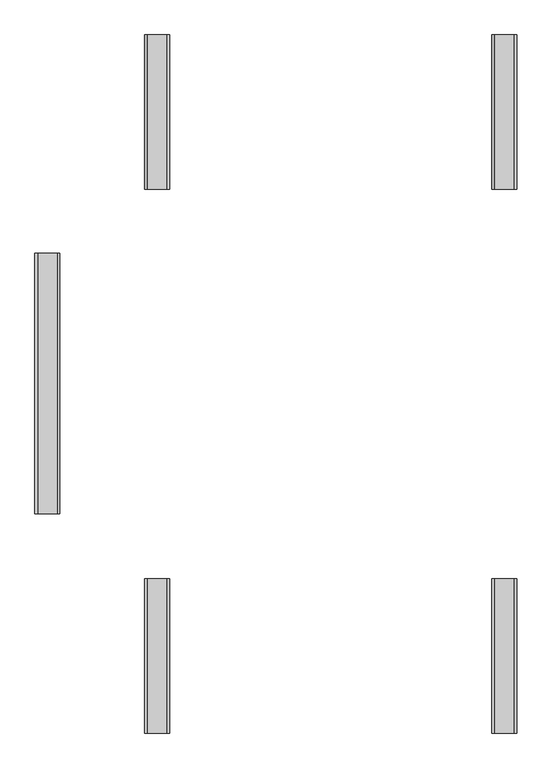
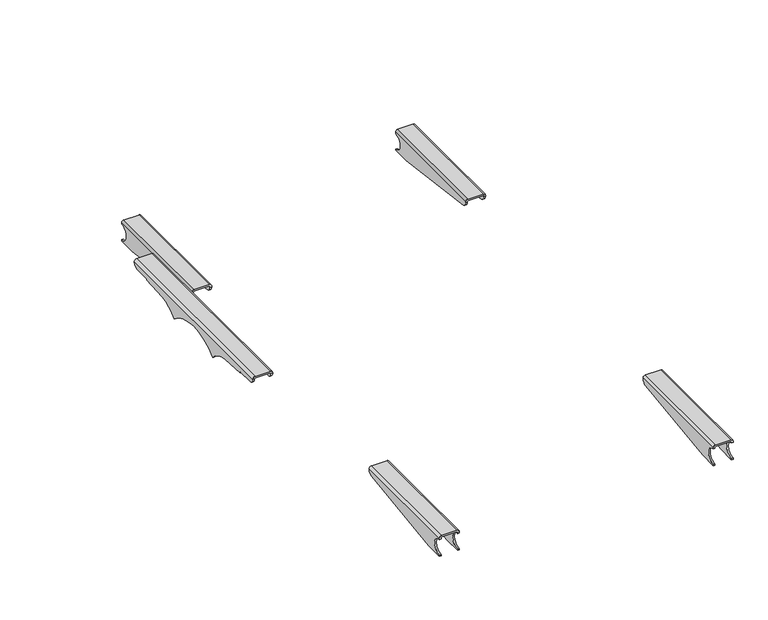
"""IFC4 building model written with IfcOpenShell, lengths in millimetres: furniture geometry."""

from ifc_helpers import new_model, si_unit, frame, origin, place, context, project, spatial, polyline, circle_curve, source, transform, mapped, element, save
from ifc_brep_helpers import plane_surface, cylinder_surface, revolved_surface, advanced_brep


def furniture_b8afb969(model_context):
    return source(origin(), model_context, "Body", "AdvancedBrep", [
        advanced_brep(
        [(-648.4999187, -295.237302, 664.949744), (-648.4999187, -245.237302, 664.949744), (-648.4999187, -245.237302, 661.949744), (-648.4999187, 247.2373961, 661.949744), (-648.4999187, 247.2373961, 664.949744), (-648.4999187, 297.2373961, 664.949744), (-648.4999187, 312.2373961, 679.949744), (-648.4999187, 312.2373961, 680.949744), (-648.4999187, -310.237302, 680.949744), (-648.4999187, -310.237302, 679.949744), (-653.4999187, -295.237302, 664.949744), (-653.4999187, -310.237302, 679.949744), (-653.4999187, -310.237302, 680.949744), (-653.4999187, 312.2373961, 680.949744), (-653.4999187, 312.2373961, 679.949744), (-653.4999187, 297.2373961, 664.949744), (-653.4999187, 247.2373961, 664.949744), (-653.4999187, 247.2373961, 661.949744), (-653.4999187, -245.237302, 661.949744), (-653.4999187, -245.237302, 664.949744), (-655.4999187, 312.2373961, 682.949744), (-701.4901236, 312.2373961, 682.949744), (-703.4998948, 312.2373961, 680.949744), (-703.4999187, 312.2373961, 679.949744), (-708.4999187, 312.2373961, 679.949744), (-708.4999187, 312.2373961, 680.949744), (-701.4999187, 312.2373961, 687.949744), (-655.4999187, 312.2373961, 687.949744), (-655.4999187, -310.237302, 687.949744), (-701.4999187, -310.237302, 687.949744), (-708.4999187, -310.237302, 680.949744), (-708.4999187, -310.237302, 679.949744), (-703.4999187, -310.237302, 679.949744), (-703.4999187, -310.237302, 680.949744), (-701.4901236, -310.237302, 682.949744), (-655.4999187, -310.237302, 682.949744), (-703.4999187, 247.2373961, 664.949744), (-703.4999187, 297.2373961, 664.949744), (-703.4999187, -295.237302, 664.949744), (-703.4999187, -245.237302, 664.949744), (-703.4999187, -245.237302, 661.949744), (-703.4999187, -164.5593779, 655.917012), (-703.4999187, -99.8876346, 623.7288063), (-703.4999187, 101.8877287, 623.7288063), (-703.4999187, 166.5594719, 655.917012), (-703.4999187, 247.2373961, 661.949744), (-708.4999187, 247.2373961, 664.949744), (-708.4999187, 247.2373961, 661.949744), (-708.4999187, 166.5594719, 655.917012), (-708.4999187, 101.8877287, 623.7288063), (-708.4999187, -99.8876346, 623.7288063), (-708.4999187, -164.5593779, 655.917012), (-708.4999187, -245.237302, 661.949744), (-708.4999187, -245.237302, 664.949744), (-708.4999187, -295.237302, 664.949744), (-708.4999187, 297.2373961, 664.949744)],
        [
            (0, 1),
            (1, 2),
            (2, 3, circle_curve(frame((-648.4999187, 1.000047, 3412.4875654), z_axis=(1.0, 0.0, 0.0), x_axis=(0.0, -0.08916674873975165, -0.9960167121686172)), 2761.5378214)),
            (3, 4),
            (4, 5),
            (5, 6, circle_curve(frame((-648.4999187, 297.2373961, 679.949744), z_axis=(1.0, 2.7577016226140998e-11, -2.7071678232499654e-11), x_axis=(-2.7071678232474768e-11, 0.0, -1.0)), 15.0)),
            (6, 7),
            (7, 8),
            (8, 9),
            (9, 0, circle_curve(frame((-648.4999187, -295.237302, 679.949744), z_axis=(1.0, 1.4582610674570805e-11, 1.2561258699867995e-11), x_axis=(1.4582610674561056e-11, -1.0, 0.0)), 15.0)),
            (10, 11, circle_curve(frame((-653.4999187, -295.237302, 679.949744), z_axis=(-1.0, -1.4582610674570805e-11, -1.2561258699867995e-11), x_axis=(1.4582610674561056e-11, -1.0, 0.0)), 15.0)),
            (11, 12),
            (12, 13),
            (13, 14),
            (14, 15, circle_curve(frame((-653.4999187, 297.2373961, 679.949744), z_axis=(-1.0, -2.7577016226140998e-11, 2.7071678232499654e-11), x_axis=(-2.7071678232474768e-11, 0.0, -1.0)), 15.0)),
            (15, 16),
            (16, 17),
            (17, 18, circle_curve(frame((-653.4999187, 1.000047, 3412.4875654), z_axis=(-1.0, 0.0, 0.0), x_axis=(0.0, -0.08916674873975165, -0.9960167121686172)), 2761.5378214)),
            (18, 19),
            (19, 10),
            (0, 10),
            (19, 1),
            (18, 2),
            (17, 3),
            (16, 4),
            (15, 5),
            (14, 6),
            (13, 20, circle_curve(frame((-655.4999187, 312.2373961, 680.949744), z_axis=(0.0, -1.0, 0.0), x_axis=(1.0, 0.0, 0.0)), 2.0)),
            (20, 21),
            (21, 22, circle_curve(frame((-701.4901236, 312.2373961, 680.9399489), z_axis=(0.0, -1.0, 0.0), x_axis=(1.0, 0.0, 0.0)), 2.0097951)),
            (22, 23),
            (23, 24),
            (24, 25),
            (25, 26, circle_curve(frame((-701.4999187, 312.2373961, 680.949744), z_axis=(0.0, 1.0, 0.0), x_axis=(1.0, 0.0, 0.0)), 7.0)),
            (26, 27),
            (27, 7, circle_curve(frame((-655.4999187, 312.2373961, 680.949744), z_axis=(0.0, 1.0, 0.0), x_axis=(1.0, 0.0, 0.0)), 7.0)),
            (8, 28, circle_curve(frame((-655.4999187, -310.237302, 680.949744), z_axis=(0.0, -1.0, 0.0), x_axis=(1.0, 0.0, 0.0)), 7.0)),
            (28, 29),
            (29, 30, circle_curve(frame((-701.4999187, -310.237302, 680.949744), z_axis=(0.0, -1.0, 0.0), x_axis=(1.0, 0.0, 0.0)), 7.0)),
            (30, 31),
            (31, 32),
            (32, 33),
            (33, 34, circle_curve(frame((-701.4901236, -310.237302, 680.9399489), z_axis=(0.0, 1.0, 0.0), x_axis=(1.0, 0.0, 0.0)), 2.0097951)),
            (34, 35),
            (35, 12, circle_curve(frame((-655.4999187, -310.237302, 680.949744), z_axis=(0.0, 1.0, 0.0), x_axis=(1.0, 0.0, 0.0)), 2.0)),
            (11, 9),
            (29, 26),
            (25, 30),
            (33, 22),
            (21, 34),
            (20, 35),
            (28, 27),
            (36, 37),
            (37, 23, circle_curve(frame((-703.4999187, 297.2373961, 679.949744), z_axis=(1.0, 2.6602435809749255e-11, -2.6674626951697388e-11), x_axis=(-2.660243580974781e-11, 1.0, 0.0)), 15.0)),
            (32, 38, circle_curve(frame((-703.4999187, -295.237302, 679.949744), z_axis=(1.0, 8.013216756805516e-12, 8.013216756811447e-12), x_axis=(8.013216756807542e-12, 0.0, -1.0)), 15.0)),
            (38, 39),
            (39, 40),
            (40, 41, circle_curve(frame((-703.4999187, 1.000047, 3412.4875654), z_axis=(1.0, 0.0, 0.0), x_axis=(0.0, -0.059951894780886486, -0.9982012674366737)), 2761.5378214)),
            (41, 42, circle_curve(frame((-703.4999187, -173.4226292, 557.0466548), z_axis=(-1.0, 0.0, 0.0), x_axis=(0.0, 0.740781085054844, 0.6717465176872657)), 99.2668362)),
            (42, 43, circle_curve(frame((-703.4999187, 1.000047, 512.7257627), z_axis=(-1.0, 0.0, 0.0), x_axis=(0.0, 0.6725845443382459, 0.740020290747027)), 150.0)),
            (43, 44, circle_curve(frame((-703.4999187, 175.4227233, 557.0466548), z_axis=(-1.0, 0.0, 0.0), x_axis=(0.0, -0.08928713471241707, 0.996005927479775)), 99.2668362)),
            (44, 45, circle_curve(frame((-703.4999187, 1.000047, 3412.4875657), z_axis=(1.0, 0.0, 0.0), x_axis=(0.0, 0.08916674874136395, -0.9960167121684729)), 2761.5378217)),
            (45, 36),
            (46, 47),
            (47, 48, circle_curve(frame((-708.4999187, 1.000047, 3412.4875657), z_axis=(-1.0, 0.0, 0.0), x_axis=(0.0, 0.08916674874136395, -0.9960167121684729)), 2761.5378217)),
            (48, 49, circle_curve(frame((-708.4999187, 175.4227233, 557.0466548), z_axis=(1.0, 0.0, 0.0), x_axis=(0.0, -0.08928713471241707, 0.996005927479775)), 99.2668362)),
            (49, 50, circle_curve(frame((-708.4999187, 1.000047, 512.7257627), z_axis=(1.0, 0.0, 0.0), x_axis=(0.0, 0.6725845443382459, 0.740020290747027)), 150.0)),
            (50, 51, circle_curve(frame((-708.4999187, -173.4226292, 557.0466548), z_axis=(1.0, 0.0, 0.0), x_axis=(0.0, 0.740781085054844, 0.6717465176872657)), 99.2668362)),
            (51, 52, circle_curve(frame((-708.4999187, 1.000047, 3412.4875654), z_axis=(-1.0, 0.0, 0.0), x_axis=(0.0, -0.059951894780886486, -0.9982012674366737)), 2761.5378214)),
            (52, 53),
            (53, 54),
            (54, 31, circle_curve(frame((-708.4999187, -295.237302, 679.949744), z_axis=(-1.0, -8.013216756805516e-12, -8.013216756811447e-12), x_axis=(8.013216756807542e-12, 0.0, -1.0)), 15.0)),
            (24, 55, circle_curve(frame((-708.4999187, 297.2373961, 679.949744), z_axis=(-1.0, -2.6602435809749255e-11, 2.6674626951697388e-11), x_axis=(-2.660243580974781e-11, 1.0, 0.0)), 15.0)),
            (55, 46),
            (36, 46),
            (55, 37),
            (54, 38),
            (53, 39),
            (52, 40),
            (51, 41),
            (50, 42),
            (49, 43),
            (48, 44),
            (47, 45),
        ],
        [
            plane_surface(frame((-648.4999187, -295.237302, 664.949744), z_axis=(1.0, 0.0, 0.0), x_axis=(0.0, 1.0, 0.0))),
            plane_surface(frame((-653.4999187, -295.237302, 664.949744), z_axis=(-1.0, 0.0, 0.0), x_axis=(0.0, -1.0, 0.0))),
            plane_surface(frame((-648.4999187, -295.237302, 664.949744), z_axis=(0.0, 0.0, -1.0), x_axis=(-1.0, 0.0, 0.0))),
            plane_surface(frame((-648.4999187, -245.237302, 664.949744), z_axis=(0.0, -1.0, -5.910649747416404e-12), x_axis=(-1.0, 0.0, 0.0))),
            cylinder_surface(frame((-653.4999187, 1.000047, 3412.4875654), z_axis=(1.0, 0.0, 0.0), x_axis=(0.0, -0.08916674873975165, -0.9960167121686172)), 2761.5378214),
            plane_surface(frame((-648.4999187, 247.2373961, 661.949744), z_axis=(0.0, 1.0, 0.0), x_axis=(-1.0, 0.0, 0.0))),
            plane_surface(frame((-648.4999187, 247.2373961, 664.949744), z_axis=(0.0, 0.0, -1.0), x_axis=(-1.0, 0.0, 0.0))),
            cylinder_surface(frame((-653.4999187, 297.2373961, 679.949744), z_axis=(1.0, 2.7577016226140998e-11, -2.7071678232499654e-11), x_axis=(-2.7071678232474768e-11, 0.0, -1.0)), 15.0),
            plane_surface(frame((-648.4999187, 312.2373961, 679.949744), z_axis=(0.0, 1.0, 0.0), x_axis=(-1.0, 0.0, 0.0))),
            plane_surface(frame((-648.4999187, -310.237302, 680.949744), z_axis=(0.0, -1.0, -5.414335626038632e-12), x_axis=(-1.0, 0.0, 0.0))),
            cylinder_surface(frame((-653.4999187, -295.237302, 679.949744), z_axis=(1.0, 1.4582610674570805e-11, 1.2561258699867995e-11), x_axis=(1.4582610674561056e-11, -1.0, 0.0)), 15.0),
            cylinder_surface(frame((-701.4999187, 312.2373961, 680.949744), z_axis=(0.0, -1.0, 0.0), x_axis=(1.0, 0.0, 0.0)), 7.0),
            revolved_surface(polyline([(-699.4803284999999, 312.2373961, 680.9399489), (-699.4803284999999, -310.23730200000006, 680.9399489)]), (-701.4901236, 312.2373961, 680.9399489), (0.0, 1.0, 0.0)),
            plane_surface(frame((-701.4901236, -310.237302, 682.949744), z_axis=(0.0, 0.0, -1.0), x_axis=(0.0, 1.0, 0.0))),
            plane_surface(frame((-655.4999187, -310.237302, 687.949744), z_axis=(0.0, 0.0, 1.0), x_axis=(0.0, 1.0, 0.0))),
            revolved_surface(polyline([(-653.4999187, 312.2373961, 680.949744), (-653.4999187, -310.23730200000006, 680.949744)]), (-655.4999187, 312.2373961, 680.949744), (0.0, 1.0, 0.0)),
            cylinder_surface(frame((-655.4999187, 312.2373961, 680.949744), z_axis=(0.0, -1.0, 0.0), x_axis=(1.0, 0.0, 0.0)), 7.0),
            plane_surface(frame((-703.4999187, 247.2373961, 664.949744), z_axis=(1.0, 0.0, 0.0), x_axis=(0.0, 1.0, 0.0))),
            plane_surface(frame((-708.4999187, 247.2373961, 664.949744), z_axis=(-1.0, 0.0, 0.0), x_axis=(0.0, -1.0, 0.0))),
            plane_surface(frame((-703.4999187, 247.2373961, 664.949744), z_axis=(0.0, 0.0, -1.0), x_axis=(-1.0, 0.0, 0.0))),
            cylinder_surface(frame((-708.4999187, 297.2373961, 679.949744), z_axis=(1.0, 2.6602435809749255e-11, -2.6674626951697388e-11), x_axis=(-2.660243580974781e-11, 1.0, 0.0)), 15.0),
            cylinder_surface(frame((-708.4999187, -295.237302, 679.949744), z_axis=(1.0, 8.013216756805516e-12, 8.013216756811447e-12), x_axis=(8.013216756807542e-12, 0.0, -1.0)), 15.0),
            plane_surface(frame((-703.4999187, -295.237302, 664.949744), z_axis=(0.0, 0.0, -1.0), x_axis=(-1.0, 0.0, 0.0))),
            plane_surface(frame((-703.4999187, -245.237302, 664.949744), z_axis=(0.0, -1.0, 0.0), x_axis=(-1.0, 0.0, 0.0))),
            cylinder_surface(frame((-708.4999187, 1.000047, 3412.4875654), z_axis=(1.0000000000000002, 0.0, 0.0), x_axis=(0.0, -0.059951894780886486, -0.9982012674366737)), 2761.5378214),
            revolved_surface(polyline([(-708.4999187, -99.88763456980253, 623.7288063391823), (-703.4999187, -99.88763456980253, 623.7288063391823)]), (-708.4999187, -173.4226292, 557.0466548), (-1.0, 0.0, 0.0)),
            revolved_surface(polyline([(-708.4999187, 101.88772865073688, 623.7288063120541), (-703.4999187, 101.88772865073688, 623.7288063120541)]), (-708.4999187, 1.000047, 512.7257627), (-1.0000000000000002, 0.0, 0.0)),
            revolved_surface(polyline([(-708.4999187, 166.55947192373517, 655.917012057364), (-703.4999187, 166.55947192373517, 655.917012057364)]), (-708.4999187, 175.4227233, 557.0466548), (-1.0000000000000002, 0.0, 0.0)),
            cylinder_surface(frame((-708.4999187, 1.000047, 3412.4875657), z_axis=(1.0, 0.0, 0.0), x_axis=(0.0, 0.08916674874136395, -0.9960167121684729)), 2761.5378217),
            plane_surface(frame((-703.4999187, 247.2373961, 661.949744), z_axis=(0.0, 1.0, 0.0), x_axis=(-1.0, 0.0, 0.0))),
        ],
        [
            (0, [[1, 2, 3, 4, 5, 6, 7, 8, 9, 10]]),
            (1, [[11, 12, 13, 14, 15, 16, 17, 18, 19, 20]]),
            (2, [[-1, 21, -20, 22]]),
            (3, [[-2, -22, -19, 23]]),
            (4, [[-3, -23, -18, 24]]),
            (5, [[-4, -24, -17, 25]]),
            (6, [[-5, -25, -16, 26]]),
            (7, [[-6, -26, -15, 27]]),
            (8, [[-7, -27, -14, 28, 29, 30, 31, 32, 33, 34, 35, 36]]),
            (9, [[-9, 37, 38, 39, 40, 41, 42, 43, 44, 45, -12, 46]]),
            (10, [[-10, -46, -11, -21]]),
            (11, [[-39, 47, -34, 48]]),
            (12, [[-43, 49, -30, 50]]),
            (13, [[-44, -50, -29, 51]]),
            (14, [[-38, 52, -35, -47]]),
            (15, [[-45, -51, -28, -13]]),
            (16, [[-37, -8, -36, -52]]),
            (17, [[53, 54, -31, -49, -42, 55, 56, 57, 58, 59, 60, 61, 62, 63]]),
            (18, [[64, 65, 66, 67, 68, 69, 70, 71, 72, -40, -48, -33, 73, 74]]),
            (19, [[-53, 75, -74, 76]]),
            (20, [[-54, -76, -73, -32]]),
            (21, [[-55, -41, -72, 77]]),
            (22, [[-56, -77, -71, 78]]),
            (23, [[-57, -78, -70, 79]]),
            (24, [[-58, -79, -69, 80]]),
            (25, [[-59, -80, -68, 81]]),
            (26, [[-60, -81, -67, 82]]),
            (27, [[-61, -82, -66, 83]]),
            (28, [[-62, -83, -65, 84]]),
            (29, [[-63, -84, -64, -75]]),
        ],
    ),
        advanced_brep(
        [(440.4999187, 835.0683438, 392.4018037), (440.4999187, 835.0683438, 342.4018037), (440.4999187, 835.0683438, 338.7799131), (440.4999187, 778.7989608, 338.7799131), (440.4999187, 479.004196, 379.0277526), (440.4999187, 466.0000598, 393.8943772), (440.4999187, 466.0000598, 396.4365939), (440.4999187, 835.0683438, 396.4365939), (445.4999187, 466.0000598, 393.8943772), (445.4999187, 479.004196, 379.0277526), (445.4999187, 778.7989608, 338.7799131), (445.4999187, 835.0683438, 338.7799131), (445.4999187, 835.0683438, 342.4018037), (445.4999187, 835.0683438, 392.4018037), (445.4999187, 835.0683438, 396.3680665), (445.4999187, 466.0000598, 396.3680665), (438.4587, 466.0000598, 403.4092852), (392.5684461, 466.0000598, 403.4092852), (385.5272274, 466.0000598, 396.3680665), (385.5272274, 466.0000598, 393.8943772), (390.5272274, 466.0000598, 393.8943772), (390.5272274, 466.0000598, 396.4365939), (392.4999187, 466.0000598, 398.4092852), (438.5272274, 466.0000598, 398.4092852), (438.5272274, 835.0683438, 398.4092852), (392.4999187, 835.0683438, 398.4092852), (390.5272274, 835.0683438, 396.4365939), (390.5272274, 835.0683438, 392.4018037), (385.5272274, 835.0683438, 392.4018037), (385.5272274, 835.0683438, 396.3680665), (392.5684461, 835.0683438, 403.4092852), (438.4587, 835.0683438, 403.4092852), (390.5272274, 479.004196, 379.0277526), (390.5272274, 778.7989608, 338.7799131), (390.5272274, 835.0683438, 338.7799131), (390.5272274, 835.0683438, 342.4018037), (385.5272274, 835.0683438, 342.4018037), (385.5272274, 835.0683438, 338.7799131), (385.5272274, 778.7989608, 338.7799131), (385.5272274, 479.004196, 379.0277526)],
        [
            (0, 1, circle_curve(frame((440.4999187, 835.0683438, 367.4018037), z_axis=(1.0, 0.0, 0.0), x_axis=(0.0, -1.0, 0.0)), 25.0)),
            (1, 2),
            (2, 3),
            (3, 4),
            (4, 5, circle_curve(frame((440.4999187, 481.0000598, 393.8943772), z_axis=(-1.0, 0.0, 0.0), x_axis=(0.0, -1.0, 0.0)), 15.0)),
            (5, 6),
            (6, 7),
            (7, 0),
            (8, 9, circle_curve(frame((445.4999187, 481.0000598, 393.8943772), z_axis=(1.0, 0.0, 0.0), x_axis=(0.0, -1.0, 0.0)), 15.0)),
            (9, 10),
            (10, 11),
            (11, 12),
            (12, 13, circle_curve(frame((445.4999187, 835.0683438, 367.4018037), z_axis=(-1.0, 0.0, 0.0), x_axis=(0.0, -1.0, 0.0)), 25.0)),
            (13, 14),
            (14, 15),
            (15, 8),
            (5, 8),
            (15, 16, circle_curve(frame((438.4587, 466.0000598, 396.3680665), z_axis=(0.0, -1.0, 0.0), x_axis=(-1.0, 0.0, 0.0)), 7.0412187)),
            (16, 17),
            (17, 18, circle_curve(frame((392.5684461, 466.0000598, 396.3680665), z_axis=(0.0, -1.0, 0.0), x_axis=(1.0, 0.0, 0.0)), 7.0412187)),
            (18, 19),
            (19, 20),
            (20, 21),
            (21, 22, circle_curve(frame((392.4999187, 466.0000598, 396.4365939), z_axis=(0.0, 1.0, 0.0), x_axis=(1.0, 0.0, 0.0)), 1.9726913)),
            (22, 23),
            (23, 6, circle_curve(frame((438.5272274, 466.0000598, 396.4365939), z_axis=(0.0, 1.0, 0.0), x_axis=(-1.0, 0.0, 0.0)), 1.9726913)),
            (4, 9),
            (3, 10),
            (2, 11),
            (1, 12),
            (0, 13),
            (7, 24, circle_curve(frame((438.5272274, 835.0683438, 396.4365939), z_axis=(0.0, -1.0, 0.0), x_axis=(-1.0, 0.0, 0.0)), 1.9726913)),
            (24, 25),
            (25, 26, circle_curve(frame((392.4999187, 835.0683438, 396.4365939), z_axis=(0.0, -1.0, 0.0), x_axis=(1.0, 0.0, 0.0)), 1.9726913)),
            (26, 27),
            (27, 28),
            (28, 29),
            (29, 30, circle_curve(frame((392.5684461, 835.0683438, 396.3680665), z_axis=(0.0, 1.0, 0.0), x_axis=(1.0, 0.0, 0.0)), 7.0412187)),
            (30, 31),
            (31, 14, circle_curve(frame((438.4587, 835.0683438, 396.3680665), z_axis=(0.0, 1.0, 0.0), x_axis=(-1.0, 0.0, 0.0)), 7.0412187)),
            (30, 17),
            (16, 31),
            (23, 24),
            (22, 25),
            (21, 26),
            (20, 32, circle_curve(frame((390.5272274, 481.0000598, 393.8943772), z_axis=(1.0, 0.0, 0.0), x_axis=(0.0, -1.0, 0.0)), 15.0)),
            (32, 33),
            (33, 34),
            (34, 35),
            (35, 27, circle_curve(frame((390.5272274, 835.0683438, 367.4018037), z_axis=(-1.0, 0.0, 0.0), x_axis=(0.0, -1.0, 0.0)), 25.0)),
            (18, 29),
            (28, 36, circle_curve(frame((385.5272274, 835.0683438, 367.4018037), z_axis=(1.0, 0.0, 0.0), x_axis=(0.0, -1.0, 0.0)), 25.0)),
            (36, 37),
            (37, 38),
            (38, 39),
            (39, 19, circle_curve(frame((385.5272274, 481.0000598, 393.8943772), z_axis=(-1.0, 0.0, 0.0), x_axis=(0.0, -1.0, 0.0)), 15.0)),
            (39, 32),
            (38, 33),
            (37, 34),
            (36, 35),
        ],
        [
            plane_surface(frame((440.4999187, 466.0000598, 395.0172796), z_axis=(-1.0, 0.0, 0.0), x_axis=(0.0, 1.0, 4.8729174024714435e-12))),
            plane_surface(frame((445.4999187, 466.0000598, 395.0172796), z_axis=(1.0, 0.0, 0.0), x_axis=(0.0, -1.0, -4.8729174024714435e-12))),
            plane_surface(frame((440.4999187, 466.0000598, 393.8943772), z_axis=(0.0, -1.0, 0.0), x_axis=(1.0, 0.0, 0.0))),
            cylinder_surface(frame((445.4999187, 481.0000598, 393.8943772), z_axis=(-1.0, 0.0, 0.0), x_axis=(0.0, -1.0, 0.0)), 15.0),
            plane_surface(frame((440.4999187, 778.7989608, 338.7799131), z_axis=(0.0, -0.13305758727615388, -0.9911083081420763), x_axis=(1.0, 0.0, 0.0))),
            plane_surface(frame((440.4999187, 835.0683438, 338.7799131), z_axis=(0.0, 0.0, -1.0), x_axis=(1.0, 0.0, 0.0))),
            plane_surface(frame((440.4999187, 835.0683438, 342.4018037), z_axis=(0.0, 1.0, 0.0), x_axis=(1.0, 0.0, 0.0))),
            revolved_surface(polyline([(445.4999187, 810.0683438, 367.4018037), (440.4999187, 810.0683438, 367.4018037)]), (445.4999187, 835.0683438, 367.4018037), (1.0, 0.0, 0.0)),
            plane_surface(frame((440.4999187, 835.0683438, 395.0172796), z_axis=(0.0, 1.0, 0.0), x_axis=(1.0, 0.0, 0.0))),
            plane_surface(frame((392.5684461, 835.0683438, 403.4092852), z_axis=(0.0, 0.0, 1.0), x_axis=(0.0, -1.0, 0.0))),
            cylinder_surface(frame((438.4587, 466.0000598, 396.3680665), z_axis=(0.0, 1.0, 0.0), x_axis=(-1.0, 0.0, 0.0)), 7.0412187),
            revolved_surface(polyline([(436.5545361, 466.0000598, 396.4365939), (436.5545361, 835.0683438, 396.4365939)]), (438.5272274, 466.0000598, 396.4365939), (0.0, -1.0, 0.0)),
            plane_surface(frame((438.5272274, 835.0683438, 398.4092852), z_axis=(0.0, 0.0, -1.0), x_axis=(0.0, -1.0, 0.0))),
            revolved_surface(polyline([(394.47261000000003, 466.0000598, 396.4365939), (394.47261000000003, 835.0683438, 396.4365939)]), (392.4999187, 466.0000598, 396.4365939), (0.0, -1.0, 0.0)),
            plane_surface(frame((390.5272274, 835.0683438, 396.4365939), z_axis=(1.0, 0.0, 0.0), x_axis=(0.0, -1.0, 0.0))),
            plane_surface(frame((385.5272274, 835.0683438, 395.0172796), z_axis=(-1.0, 0.0, 0.0), x_axis=(0.0, -1.0, 0.0))),
            cylinder_surface(frame((392.5684461, 466.0000598, 396.3680665), z_axis=(0.0, 1.0, 0.0), x_axis=(1.0, 0.0, 0.0)), 7.0412187),
            cylinder_surface(frame((390.5272274, 481.0000598, 393.8943772), z_axis=(-1.0, 0.0, 0.0), x_axis=(0.0, -1.0, 0.0)), 15.0),
            plane_surface(frame((385.5272274, 778.7989608, 338.7799131), z_axis=(0.0, -0.13305758727615388, -0.9911083081420763), x_axis=(1.0, 0.0, 0.0))),
            plane_surface(frame((385.5272274, 835.0683438, 338.7799131), z_axis=(0.0, 0.0, -1.0), x_axis=(1.0, 0.0, 0.0))),
            plane_surface(frame((385.5272274, 835.0683438, 342.4018037), z_axis=(0.0, 1.0, 0.0), x_axis=(1.0, 0.0, 0.0))),
            revolved_surface(polyline([(390.5272274, 810.0683438, 367.4018037), (385.5272274, 810.0683438, 367.4018037)]), (390.5272274, 835.0683438, 367.4018037), (1.0, 0.0, 0.0)),
        ],
        [
            (0, [[1, 2, 3, 4, 5, 6, 7, 8]]),
            (1, [[9, 10, 11, 12, 13, 14, 15, 16]]),
            (2, [[17, -16, 18, 19, 20, 21, 22, 23, 24, 25, 26, -6]]),
            (3, [[-5, 27, -9, -17]]),
            (4, [[-4, 28, -10, -27]]),
            (5, [[-3, 29, -11, -28]]),
            (6, [[-2, 30, -12, -29]]),
            (7, [[-1, 31, -13, -30]]),
            (8, [[-31, -8, 32, 33, 34, 35, 36, 37, 38, 39, 40, -14]]),
            (9, [[-39, 41, -19, 42]]),
            (10, [[-40, -42, -18, -15]]),
            (11, [[-32, -7, -26, 43]]),
            (12, [[-33, -43, -25, 44]]),
            (13, [[-34, -44, -24, 45]]),
            (14, [[-45, -23, 46, 47, 48, 49, 50, -35]]),
            (15, [[51, -37, 52, 53, 54, 55, 56, -21]]),
            (16, [[-38, -51, -20, -41]]),
            (17, [[-56, 57, -46, -22]]),
            (18, [[-55, 58, -47, -57]]),
            (19, [[-54, 59, -48, -58]]),
            (20, [[-53, 60, -49, -59]]),
            (21, [[-52, -36, -50, -60]]),
        ],
    ),
        advanced_brep(
        [(440.4999187, -466.0000598, 393.8943772), (440.4999187, -479.004196, 379.0277526), (440.4999187, -778.7989608, 338.7799131), (440.4999187, -835.0683438, 338.7799131), (440.4999187, -835.0683438, 342.4018037), (440.4999187, -835.0683438, 392.4018037), (440.4999187, -835.0683438, 396.4365939), (440.4999187, -466.0000598, 396.4365939), (445.4999187, -835.0683438, 392.4018037), (445.4999187, -835.0683438, 342.4018037), (445.4999187, -835.0683438, 338.7799131), (445.4999187, -778.7989608, 338.7799131), (445.4999187, -479.004196, 379.0277526), (445.4999187, -466.0000598, 393.8943772), (445.4999187, -466.0000598, 396.3680665), (445.4999187, -835.0683438, 396.3680665), (438.4587, -835.0683438, 403.4092852), (392.5684461, -835.0683438, 403.4092852), (385.5272274, -835.0683438, 396.3680665), (385.5272274, -835.0683438, 392.4018037), (390.5272274, -835.0683438, 392.4018037), (390.5272274, -835.0683438, 396.4365939), (392.4999187, -835.0683438, 398.4092852), (438.5272274, -835.0683438, 398.4092852), (438.5272274, -466.0000598, 398.4092852), (392.4999187, -466.0000598, 398.4092852), (390.5272274, -466.0000598, 396.4365939), (390.5272274, -466.0000598, 393.8943772), (385.5272274, -466.0000598, 393.8943772), (385.5272274, -466.0000598, 396.3680665), (392.5684461, -466.0000598, 403.4092852), (438.4587, -466.0000598, 403.4092852), (390.5272274, -835.0683438, 342.4018037), (390.5272274, -835.0683438, 338.7799131), (390.5272274, -778.7989608, 338.7799131), (390.5272274, -479.004196, 379.0277526), (385.5272274, -479.004196, 379.0277526), (385.5272274, -778.7989608, 338.7799131), (385.5272274, -835.0683438, 338.7799131), (385.5272274, -835.0683438, 342.4018037)],
        [
            (0, 1, circle_curve(frame((440.4999187, -481.0000598, 393.8943772), z_axis=(-1.0, 0.0, 0.0), x_axis=(0.0, 1.0, 0.0)), 15.0)),
            (1, 2),
            (2, 3),
            (3, 4),
            (4, 5, circle_curve(frame((440.4999187, -835.0683438, 367.4018037), z_axis=(1.0, 0.0, 0.0), x_axis=(0.0, 1.0, 0.0)), 25.0)),
            (5, 6),
            (6, 7),
            (7, 0),
            (8, 9, circle_curve(frame((445.4999187, -835.0683438, 367.4018037), z_axis=(-1.0, 0.0, 0.0), x_axis=(0.0, 1.0, 0.0)), 25.0)),
            (9, 10),
            (10, 11),
            (11, 12),
            (12, 13, circle_curve(frame((445.4999187, -481.0000598, 393.8943772), z_axis=(1.0, 0.0, 0.0), x_axis=(0.0, 1.0, 0.0)), 15.0)),
            (13, 14),
            (14, 15),
            (15, 8),
            (5, 8),
            (15, 16, circle_curve(frame((438.4587, -835.0683438, 396.3680665), z_axis=(0.0, -1.0, 0.0), x_axis=(-1.0, 0.0, 0.0)), 7.0412187)),
            (16, 17),
            (17, 18, circle_curve(frame((392.5684461, -835.0683438, 396.3680665), z_axis=(0.0, -1.0, 0.0), x_axis=(1.0, 0.0, 0.0)), 7.0412187)),
            (18, 19),
            (19, 20),
            (20, 21),
            (21, 22, circle_curve(frame((392.4999187, -835.0683438, 396.4365939), z_axis=(0.0, 1.0, 0.0), x_axis=(1.0, 0.0, 0.0)), 1.9726913)),
            (22, 23),
            (23, 6, circle_curve(frame((438.5272274, -835.0683438, 396.4365939), z_axis=(0.0, 1.0, 0.0), x_axis=(-1.0, 0.0, 0.0)), 1.9726913)),
            (4, 9),
            (3, 10),
            (2, 11),
            (1, 12),
            (0, 13),
            (7, 24, circle_curve(frame((438.5272274, -466.0000598, 396.4365939), z_axis=(0.0, -1.0, 0.0), x_axis=(-1.0, 0.0, 0.0)), 1.9726913)),
            (24, 25),
            (25, 26, circle_curve(frame((392.4999187, -466.0000598, 396.4365939), z_axis=(0.0, -1.0, 0.0), x_axis=(1.0, 0.0, 0.0)), 1.9726913)),
            (26, 27),
            (27, 28),
            (28, 29),
            (29, 30, circle_curve(frame((392.5684461, -466.0000598, 396.3680665), z_axis=(0.0, 1.0, 0.0), x_axis=(1.0, 0.0, 0.0)), 7.0412187)),
            (30, 31),
            (31, 14, circle_curve(frame((438.4587, -466.0000598, 396.3680665), z_axis=(0.0, 1.0, 0.0), x_axis=(-1.0, 0.0, 0.0)), 7.0412187)),
            (20, 32, circle_curve(frame((390.5272274, -835.0683438, 367.4018037), z_axis=(-1.0, 0.0, 0.0), x_axis=(0.0, 1.0, 0.0)), 25.0)),
            (32, 33),
            (33, 34),
            (34, 35),
            (35, 27, circle_curve(frame((390.5272274, -481.0000598, 393.8943772), z_axis=(1.0, 0.0, 0.0), x_axis=(0.0, 1.0, 0.0)), 15.0)),
            (26, 21),
            (28, 36, circle_curve(frame((385.5272274, -481.0000598, 393.8943772), z_axis=(-1.0, 0.0, 0.0), x_axis=(0.0, 1.0, 0.0)), 15.0)),
            (36, 37),
            (37, 38),
            (38, 39),
            (39, 19, circle_curve(frame((385.5272274, -835.0683438, 367.4018037), z_axis=(1.0, 0.0, 0.0), x_axis=(0.0, 1.0, 0.0)), 25.0)),
            (18, 29),
            (39, 32),
            (38, 33),
            (37, 34),
            (36, 35),
            (16, 31),
            (30, 17),
            (23, 24),
            (22, 25),
        ],
        [
            plane_surface(frame((440.4999187, 466.0000598, 395.0172796), z_axis=(-1.0, 0.0, 0.0), x_axis=(0.0, 1.0, 4.8729174024714435e-12))),
            plane_surface(frame((445.4999187, 466.0000598, 395.0172796), z_axis=(1.0, 0.0, 0.0), x_axis=(0.0, -1.0, -4.8729174024714435e-12))),
            plane_surface(frame((440.4999187, -835.0683438, 392.4018037), z_axis=(0.0, -1.0, 0.0), x_axis=(1.0, 0.0, 0.0))),
            revolved_surface(polyline([(445.4999187, -810.0683438, 367.4018037), (440.4999187, -810.0683438, 367.4018037)]), (42.4999187, -835.0683438, 367.4018037), (1.0, 0.0, 0.0)),
            plane_surface(frame((440.4999187, -835.0683438, 338.7799131), z_axis=(0.0, -1.0, 0.0), x_axis=(1.0, 0.0, 0.0))),
            plane_surface(frame((440.4999187, -778.7989608, 338.7799131), z_axis=(0.0, 0.0, -1.0), x_axis=(1.0, 0.0, 0.0))),
            plane_surface(frame((440.4999187, -479.004196, 379.0277526), z_axis=(0.0, 0.13305758727615388, -0.9911083081420763), x_axis=(1.0, 0.0, 0.0))),
            cylinder_surface(frame((42.4999187, -481.0000598, 393.8943772), z_axis=(-1.0, 0.0, 0.0), x_axis=(0.0, 1.0, 0.0)), 15.0),
            plane_surface(frame((440.4999187, -466.0000598, 395.0172796), z_axis=(0.0, 1.0, 0.0), x_axis=(1.0, 0.0, 0.0))),
            plane_surface(frame((390.5272274, 835.0683438, 396.4365939), z_axis=(1.0, 0.0, 0.0), x_axis=(0.0, -1.0, 0.0))),
            plane_surface(frame((385.5272274, 835.0683438, 395.0172796), z_axis=(-1.0, 0.0, 0.0), x_axis=(0.0, -1.0, 0.0))),
            revolved_surface(polyline([(390.5272274, -810.0683438, 367.4018037), (385.5272274, -810.0683438, 367.4018037)]), (-12.4727726, -835.0683438, 367.4018037), (1.0, 0.0, 0.0)),
            plane_surface(frame((385.5272274, -835.0683438, 338.7799131), z_axis=(0.0, -1.0, 0.0), x_axis=(1.0, 0.0, 0.0))),
            plane_surface(frame((385.5272274, -778.7989608, 338.7799131), z_axis=(0.0, 0.0, -1.0), x_axis=(1.0, 0.0, 0.0))),
            plane_surface(frame((385.5272274, -479.004196, 379.0277526), z_axis=(0.0, 0.13305758727615388, -0.9911083081420763), x_axis=(1.0, 0.0, 0.0))),
            cylinder_surface(frame((-12.4727726, -481.0000598, 393.8943772), z_axis=(-1.0, 0.0, 0.0), x_axis=(0.0, 1.0, 0.0)), 15.0),
            plane_surface(frame((438.4587, -835.0683438, 403.4092852), z_axis=(0.0, 0.0, 1.0), x_axis=(0.0, 1.0, 0.0))),
            cylinder_surface(frame((438.4587, -466.0000598, 396.3680665), z_axis=(0.0, -1.0, 0.0), x_axis=(-1.0, 0.0, 0.0)), 7.0412187),
            revolved_surface(polyline([(436.5545361, -466.0000598, 396.4365939), (436.5545361, -835.0683438, 396.4365939)]), (438.5272274, -466.0000598, 396.4365939), (0.0, 1.0, 0.0)),
            plane_surface(frame((392.4999187, -835.0683438, 398.4092852), z_axis=(0.0, 0.0, -1.0), x_axis=(0.0, 1.0, 0.0))),
            revolved_surface(polyline([(394.47261000000003, -466.0000598, 396.4365939), (394.47261000000003, -835.0683438, 396.4365939)]), (392.4999187, -466.0000598, 396.4365939), (0.0, 1.0, 0.0)),
            cylinder_surface(frame((392.5684461, -466.0000598, 396.3680665), z_axis=(0.0, -1.0, 0.0), x_axis=(1.0, 0.0, 0.0)), 7.0412187),
        ],
        [
            (0, [[1, 2, 3, 4, 5, 6, 7, 8]]),
            (1, [[9, 10, 11, 12, 13, 14, 15, 16]]),
            (2, [[-6, 17, -16, 18, 19, 20, 21, 22, 23, 24, 25, 26]]),
            (3, [[-5, 27, -9, -17]]),
            (4, [[-4, 28, -10, -27]]),
            (5, [[-3, 29, -11, -28]]),
            (6, [[-2, 30, -12, -29]]),
            (7, [[-1, 31, -13, -30]]),
            (8, [[-8, 32, 33, 34, 35, 36, 37, 38, 39, 40, -14, -31]]),
            (9, [[-23, 41, 42, 43, 44, 45, -35, 46]]),
            (10, [[-37, 47, 48, 49, 50, 51, -21, 52]]),
            (11, [[-51, 53, -41, -22]]),
            (12, [[-50, 54, -42, -53]]),
            (13, [[-49, 55, -43, -54]]),
            (14, [[-48, 56, -44, -55]]),
            (15, [[-47, -36, -45, -56]]),
            (16, [[-19, 57, -39, 58]]),
            (17, [[-18, -15, -40, -57]]),
            (18, [[-26, 59, -32, -7]]),
            (19, [[-25, 60, -33, -59]]),
            (20, [[-24, -46, -34, -60]]),
            (21, [[-20, -58, -38, -52]]),
        ],
    ),
        advanced_brep(
        [(-392.4999187, -835.0683438, 398.4092852), (-390.5272274, -835.0683438, 396.4365939), (-390.5272274, -835.0683438, 392.4018037), (-385.5272274, -835.0683438, 392.4018037), (-385.5272274, -835.0683438, 396.3680665), (-392.5684461, -835.0683438, 403.4092852), (-438.4587, -835.0683438, 403.4092852), (-445.4999187, -835.0683438, 396.3680665), (-445.4999187, -835.0683438, 392.4018037), (-440.4999187, -835.0683438, 392.4018037), (-440.4999187, -835.0683438, 396.4365939), (-438.5272274, -835.0683438, 398.4092852), (-392.4999187, -466.0000598, 398.4092852), (-438.5272274, -466.0000598, 398.4092852), (-440.4999187, -466.0000598, 396.4365939), (-440.4999187, -466.0000598, 393.8943772), (-445.4999187, -466.0000598, 393.8943772), (-445.4999187, -466.0000598, 396.3680665), (-438.4587, -466.0000598, 403.4092852), (-392.5684461, -466.0000598, 403.4092852), (-385.5272274, -466.0000598, 396.3680665), (-385.5272274, -466.0000598, 393.8943772), (-390.5272274, -466.0000598, 393.8943772), (-390.5272274, -466.0000598, 396.4365939), (-445.4999187, -479.004196, 379.0277526), (-445.4999187, -778.7989608, 338.7799131), (-445.4999187, -835.0683438, 338.7799131), (-445.4999187, -835.0683438, 342.4018037), (-440.4999187, -835.0683438, 342.4018037), (-440.4999187, -835.0683438, 338.7799131), (-440.4999187, -778.7989608, 338.7799131), (-440.4999187, -479.004196, 379.0277526), (-390.5272274, -479.004196, 379.0277526), (-390.5272274, -778.7989608, 338.7799131), (-390.5272274, -835.0683438, 338.7799131), (-390.5272274, -835.0683438, 342.4018037), (-385.5272274, -835.0683438, 342.4018037), (-385.5272274, -835.0683438, 338.7799131), (-385.5272274, -778.7989608, 338.7799131), (-385.5272274, -479.004196, 379.0277526)],
        [
            (0, 1, circle_curve(frame((-392.4999187, -835.0683438, 396.4365939), z_axis=(0.0, 1.0, 0.0), x_axis=(-1.0, 0.0, 0.0)), 1.9726913)),
            (1, 2),
            (2, 3),
            (3, 4),
            (4, 5, circle_curve(frame((-392.5684461, -835.0683438, 396.3680665), z_axis=(0.0, -1.0, 0.0), x_axis=(-1.0, 0.0, 0.0)), 7.0412187)),
            (5, 6),
            (6, 7, circle_curve(frame((-438.4587, -835.0683438, 396.3680665), z_axis=(0.0, -1.0, 0.0), x_axis=(1.0, 0.0, 0.0)), 7.0412187)),
            (7, 8),
            (8, 9),
            (9, 10),
            (10, 11, circle_curve(frame((-438.5272274, -835.0683438, 396.4365939), z_axis=(0.0, 1.0, 0.0), x_axis=(1.0, 0.0, 0.0)), 1.9726913)),
            (11, 0),
            (12, 13),
            (13, 14, circle_curve(frame((-438.5272274, -466.0000598, 396.4365939), z_axis=(0.0, -1.0, 0.0), x_axis=(1.0, 0.0, 0.0)), 1.9726913)),
            (14, 15),
            (15, 16),
            (16, 17),
            (17, 18, circle_curve(frame((-438.4587, -466.0000598, 396.3680665), z_axis=(0.0, 1.0, 0.0), x_axis=(1.0, 0.0, 0.0)), 7.0412187)),
            (18, 19),
            (19, 20, circle_curve(frame((-392.5684461, -466.0000598, 396.3680665), z_axis=(0.0, 1.0, 0.0), x_axis=(-1.0, 0.0, 0.0)), 7.0412187)),
            (20, 21),
            (21, 22),
            (22, 23),
            (23, 12, circle_curve(frame((-392.4999187, -466.0000598, 396.4365939), z_axis=(0.0, -1.0, 0.0), x_axis=(-1.0, 0.0, 0.0)), 1.9726913)),
            (5, 19),
            (18, 6),
            (17, 7),
            (16, 24, circle_curve(frame((-445.4999187, -481.0000598, 393.8943772), z_axis=(-1.0, 0.0, 0.0), x_axis=(0.0, 1.0, 0.0)), 15.0)),
            (24, 25),
            (25, 26),
            (26, 27),
            (27, 8, circle_curve(frame((-445.4999187, -835.0683438, 367.4018037), z_axis=(1.0, 0.0, 0.0), x_axis=(0.0, 1.0, 0.0)), 25.0)),
            (14, 10),
            (9, 28, circle_curve(frame((-440.4999187, -835.0683438, 367.4018037), z_axis=(-1.0, 0.0, 0.0), x_axis=(0.0, 1.0, 0.0)), 25.0)),
            (28, 29),
            (29, 30),
            (30, 31),
            (31, 15, circle_curve(frame((-440.4999187, -481.0000598, 393.8943772), z_axis=(1.0, 0.0, 0.0), x_axis=(0.0, 1.0, 0.0)), 15.0)),
            (13, 11),
            (12, 0),
            (27, 28),
            (26, 29),
            (25, 30),
            (24, 31),
            (23, 1),
            (22, 32, circle_curve(frame((-390.5272274, -481.0000598, 393.8943772), z_axis=(-1.0, 0.0, 0.0), x_axis=(0.0, 1.0, 0.0)), 15.0)),
            (32, 33),
            (33, 34),
            (34, 35),
            (35, 2, circle_curve(frame((-390.5272274, -835.0683438, 367.4018037), z_axis=(1.0, 0.0, 0.0), x_axis=(0.0, 1.0, 0.0)), 25.0)),
            (20, 4),
            (3, 36, circle_curve(frame((-385.5272274, -835.0683438, 367.4018037), z_axis=(-1.0, 0.0, 0.0), x_axis=(0.0, 1.0, 0.0)), 25.0)),
            (36, 37),
            (37, 38),
            (38, 39),
            (39, 21, circle_curve(frame((-385.5272274, -481.0000598, 393.8943772), z_axis=(1.0, 0.0, 0.0), x_axis=(0.0, 1.0, 0.0)), 15.0)),
            (35, 36),
            (34, 37),
            (33, 38),
            (32, 39),
        ],
        [
            plane_surface(frame((-394.47261, -835.0683438, 396.4365939), z_axis=(0.0, -1.0, 0.0), x_axis=(0.0, 0.0, 1.0))),
            plane_surface(frame((-394.47261, -466.0000598, 396.4365939), z_axis=(0.0, 1.0, 0.0), x_axis=(0.0, 0.0, -1.0))),
            plane_surface(frame((-392.5684461, -835.0683438, 403.4092852), z_axis=(0.0, 0.0, 1.0), x_axis=(0.0, 1.0, 0.0))),
            cylinder_surface(frame((-438.4587, -466.0000598, 396.3680665), z_axis=(0.0, -1.0, 0.0), x_axis=(1.0, 0.0, 0.0)), 7.0412187),
            plane_surface(frame((-445.4999187, -835.0683438, 396.3680665), z_axis=(-1.0, 0.0, 0.0), x_axis=(0.0, 1.0, 0.0))),
            plane_surface(frame((-440.4999187, -835.0683438, 395.0172796), z_axis=(1.0, 0.0, 0.0), x_axis=(0.0, 1.0, 0.0))),
            revolved_surface(polyline([(-436.5545361, -466.0000598, 396.4365939), (-436.5545361, -835.0683438, 396.4365939)]), (-438.5272274, -466.0000598, 396.4365939), (0.0, 1.0, 0.0)),
            plane_surface(frame((-438.5272274, -835.0683438, 398.4092852), z_axis=(0.0, 0.0, -1.0), x_axis=(0.0, 1.0, 0.0))),
            revolved_surface(polyline([(-445.4999187, -810.0683438, 367.4018037), (-440.4999187, -810.0683438, 367.4018037)]), (-42.4999187, -835.0683438, 367.4018037), (-1.0, 0.0, 0.0)),
            plane_surface(frame((-440.4999187, -835.0683438, 342.4018037), z_axis=(0.0, -1.0, 0.0), x_axis=(-1.0, 0.0, 0.0))),
            plane_surface(frame((-440.4999187, -835.0683438, 338.7799131), z_axis=(0.0, 0.0, -1.0), x_axis=(-1.0, 0.0, 0.0))),
            plane_surface(frame((-440.4999187, -778.7989608, 338.7799131), z_axis=(0.0, 0.13305758727615388, -0.9911083081420763), x_axis=(-1.0, 0.0, 0.0))),
            cylinder_surface(frame((-42.4999187, -481.0000598, 393.8943772), z_axis=(1.0, 0.0, 0.0), x_axis=(0.0, 1.0, 0.0)), 15.0),
            revolved_surface(polyline([(-394.47261000000003, -466.0000598, 396.4365939), (-394.47261000000003, -835.0683438, 396.4365939)]), (-392.4999187, -466.0000598, 396.4365939), (0.0, 1.0, 0.0)),
            plane_surface(frame((-390.5272274, -835.0683438, 396.4365939), z_axis=(-1.0, 0.0, 0.0), x_axis=(0.0, 1.0, 0.0))),
            plane_surface(frame((-385.5272274, -835.0683438, 395.0172796), z_axis=(1.0, 0.0, 0.0), x_axis=(0.0, 1.0, 0.0))),
            cylinder_surface(frame((-392.5684461, -466.0000598, 396.3680665), z_axis=(0.0, -1.0, 0.0), x_axis=(-1.0, 0.0, 0.0)), 7.0412187),
            revolved_surface(polyline([(-390.5272274, -810.0683438, 367.4018037), (-385.5272274, -810.0683438, 367.4018037)]), (12.4727726, -835.0683438, 367.4018037), (-1.0, 0.0, 0.0)),
            plane_surface(frame((-385.5272274, -835.0683438, 342.4018037), z_axis=(0.0, -1.0, 0.0), x_axis=(-1.0, 0.0, 0.0))),
            plane_surface(frame((-385.5272274, -835.0683438, 338.7799131), z_axis=(0.0, 0.0, -1.0), x_axis=(-1.0, 0.0, 0.0))),
            plane_surface(frame((-385.5272274, -778.7989608, 338.7799131), z_axis=(0.0, 0.13305758727615388, -0.9911083081420763), x_axis=(-1.0, 0.0, 0.0))),
            cylinder_surface(frame((12.4727726, -481.0000598, 393.8943772), z_axis=(1.0, 0.0, 0.0), x_axis=(0.0, 1.0, 0.0)), 15.0),
        ],
        [
            (0, [[1, 2, 3, 4, 5, 6, 7, 8, 9, 10, 11, 12]]),
            (1, [[13, 14, 15, 16, 17, 18, 19, 20, 21, 22, 23, 24]]),
            (2, [[-6, 25, -19, 26]]),
            (3, [[-7, -26, -18, 27]]),
            (4, [[-27, -17, 28, 29, 30, 31, 32, -8]]),
            (5, [[33, -10, 34, 35, 36, 37, 38, -15]]),
            (6, [[-11, -33, -14, 39]]),
            (7, [[-12, -39, -13, 40]]),
            (8, [[-34, -9, -32, 41]]),
            (9, [[-35, -41, -31, 42]]),
            (10, [[-36, -42, -30, 43]]),
            (11, [[-37, -43, -29, 44]]),
            (12, [[-38, -44, -28, -16]]),
            (13, [[-1, -40, -24, 45]]),
            (14, [[-45, -23, 46, 47, 48, 49, 50, -2]]),
            (15, [[51, -4, 52, 53, 54, 55, 56, -21]]),
            (16, [[-5, -51, -20, -25]]),
            (17, [[-52, -3, -50, 57]]),
            (18, [[-53, -57, -49, 58]]),
            (19, [[-54, -58, -48, 59]]),
            (20, [[-55, -59, -47, 60]]),
            (21, [[-56, -60, -46, -22]]),
        ],
    ),
        advanced_brep(
        [(-445.4999187, 835.0683438, 392.4018037), (-445.4999187, 835.0683438, 342.4018037), (-445.4999187, 835.0683438, 338.7799131), (-445.4999187, 778.7989608, 338.7799131), (-445.4999187, 479.004196, 379.0277526), (-445.4999187, 466.0000598, 393.8943772), (-445.4999187, 466.0000598, 396.3680665), (-445.4999187, 835.0683438, 396.3680665), (-440.4999187, 466.0000598, 393.8943772), (-440.4999187, 479.004196, 379.0277526), (-440.4999187, 778.7989608, 338.7799131), (-440.4999187, 835.0683438, 338.7799131), (-440.4999187, 835.0683438, 342.4018037), (-440.4999187, 835.0683438, 392.4018037), (-440.4999187, 835.0683438, 396.4365939), (-440.4999187, 466.0000598, 396.4365939), (-438.5272274, 466.0000598, 398.4092852), (-392.4999187, 466.0000598, 398.4092852), (-390.5272274, 466.0000598, 396.4365939), (-390.5272274, 466.0000598, 393.8943772), (-385.5272274, 466.0000598, 393.8943772), (-385.5272274, 466.0000598, 396.3680665), (-392.5684461, 466.0000598, 403.4092852), (-438.4587, 466.0000598, 403.4092852), (-438.4587, 835.0683438, 403.4092852), (-392.5684461, 835.0683438, 403.4092852), (-385.5272274, 835.0683438, 396.3680665), (-385.5272274, 835.0683438, 392.4018037), (-390.5272274, 835.0683438, 392.4018037), (-390.5272274, 835.0683438, 396.4365939), (-392.4999187, 835.0683438, 398.4092852), (-438.5272274, 835.0683438, 398.4092852), (-390.5272274, 835.0683438, 342.4018037), (-390.5272274, 835.0683438, 338.7799131), (-390.5272274, 778.7989608, 338.7799131), (-390.5272274, 479.004196, 379.0277526), (-385.5272274, 479.004196, 379.0277526), (-385.5272274, 778.7989608, 338.7799131), (-385.5272274, 835.0683438, 338.7799131), (-385.5272274, 835.0683438, 342.4018037)],
        [
            (0, 1, circle_curve(frame((-445.4999187, 835.0683438, 367.4018037), z_axis=(1.0, 0.0, 0.0), x_axis=(0.0, -1.0, 0.0)), 25.0)),
            (1, 2),
            (2, 3),
            (3, 4),
            (4, 5, circle_curve(frame((-445.4999187, 481.0000598, 393.8943772), z_axis=(-1.0, 0.0, 0.0), x_axis=(0.0, -1.0, 0.0)), 15.0)),
            (5, 6),
            (6, 7),
            (7, 0),
            (8, 9, circle_curve(frame((-440.4999187, 481.0000598, 393.8943772), z_axis=(1.0, 0.0, 0.0), x_axis=(0.0, -1.0, 0.0)), 15.0)),
            (9, 10),
            (10, 11),
            (11, 12),
            (12, 13, circle_curve(frame((-440.4999187, 835.0683438, 367.4018037), z_axis=(-1.0, 0.0, 0.0), x_axis=(0.0, -1.0, 0.0)), 25.0)),
            (13, 14),
            (14, 15),
            (15, 8),
            (15, 16, circle_curve(frame((-438.5272274, 466.0000598, 396.4365939), z_axis=(0.0, 1.0, 0.0), x_axis=(1.0, 0.0, 0.0)), 1.9726913)),
            (16, 17),
            (17, 18, circle_curve(frame((-392.4999187, 466.0000598, 396.4365939), z_axis=(0.0, 1.0, 0.0), x_axis=(-1.0, 0.0, 0.0)), 1.9726913)),
            (18, 19),
            (19, 20),
            (20, 21),
            (21, 22, circle_curve(frame((-392.5684461, 466.0000598, 396.3680665), z_axis=(0.0, -1.0, 0.0), x_axis=(-1.0, 0.0, 0.0)), 7.0412187)),
            (22, 23),
            (23, 6, circle_curve(frame((-438.4587, 466.0000598, 396.3680665), z_axis=(0.0, -1.0, 0.0), x_axis=(1.0, 0.0, 0.0)), 7.0412187)),
            (5, 8),
            (4, 9),
            (3, 10),
            (2, 11),
            (1, 12),
            (0, 13),
            (7, 24, circle_curve(frame((-438.4587, 835.0683438, 396.3680665), z_axis=(0.0, 1.0, 0.0), x_axis=(1.0, 0.0, 0.0)), 7.0412187)),
            (24, 25),
            (25, 26, circle_curve(frame((-392.5684461, 835.0683438, 396.3680665), z_axis=(0.0, 1.0, 0.0), x_axis=(-1.0, 0.0, 0.0)), 7.0412187)),
            (26, 27),
            (27, 28),
            (28, 29),
            (29, 30, circle_curve(frame((-392.4999187, 835.0683438, 396.4365939), z_axis=(0.0, -1.0, 0.0), x_axis=(-1.0, 0.0, 0.0)), 1.9726913)),
            (30, 31),
            (31, 14, circle_curve(frame((-438.5272274, 835.0683438, 396.4365939), z_axis=(0.0, -1.0, 0.0), x_axis=(1.0, 0.0, 0.0)), 1.9726913)),
            (28, 32, circle_curve(frame((-390.5272274, 835.0683438, 367.4018037), z_axis=(1.0, 0.0, 0.0), x_axis=(0.0, -1.0, 0.0)), 25.0)),
            (32, 33),
            (33, 34),
            (34, 35),
            (35, 19, circle_curve(frame((-390.5272274, 481.0000598, 393.8943772), z_axis=(-1.0, 0.0, 0.0), x_axis=(0.0, -1.0, 0.0)), 15.0)),
            (18, 29),
            (20, 36, circle_curve(frame((-385.5272274, 481.0000598, 393.8943772), z_axis=(1.0, 0.0, 0.0), x_axis=(0.0, -1.0, 0.0)), 15.0)),
            (36, 37),
            (37, 38),
            (38, 39),
            (39, 27, circle_curve(frame((-385.5272274, 835.0683438, 367.4018037), z_axis=(-1.0, 0.0, 0.0), x_axis=(0.0, -1.0, 0.0)), 25.0)),
            (26, 21),
            (35, 36),
            (34, 37),
            (33, 38),
            (32, 39),
            (24, 23),
            (22, 25),
            (31, 16),
            (30, 17),
        ],
        [
            plane_surface(frame((-445.4999187, -835.0683438, 396.3680665), z_axis=(-1.0, 0.0, 0.0), x_axis=(0.0, 1.0, 0.0))),
            plane_surface(frame((-440.4999187, -835.0683438, 395.0172796), z_axis=(1.0, 0.0, 0.0), x_axis=(0.0, 1.0, 0.0))),
            plane_surface(frame((-440.4999187, 466.0000598, 395.0172796), z_axis=(0.0, -1.0, 0.0), x_axis=(-1.0, 0.0, 0.0))),
            cylinder_surface(frame((-445.4999187, 481.0000598, 393.8943772), z_axis=(1.0, 0.0, 0.0), x_axis=(0.0, -1.0, 0.0)), 15.0),
            plane_surface(frame((-440.4999187, 479.004196, 379.0277526), z_axis=(0.0, -0.13305758727615405, -0.9911083081420762), x_axis=(-1.0, 0.0, 0.0))),
            plane_surface(frame((-440.4999187, 778.7989608, 338.7799131), z_axis=(0.0, 0.0, -1.0), x_axis=(-1.0, 0.0, 0.0))),
            plane_surface(frame((-440.4999187, 835.0683438, 338.7799131), z_axis=(0.0, 1.0, 0.0), x_axis=(-1.0, 0.0, 0.0))),
            revolved_surface(polyline([(-445.4999187, 810.0683438, 367.4018037), (-440.4999187, 810.0683438, 367.4018037)]), (-445.4999187, 835.0683438, 367.4018037), (-1.0, 0.0, 0.0)),
            plane_surface(frame((-440.4999187, 835.0683438, 392.4018037), z_axis=(0.0, 1.0, 0.0), x_axis=(-1.0, 0.0, 0.0))),
            plane_surface(frame((-390.5272274, -835.0683438, 396.4365939), z_axis=(-1.0, 0.0, 0.0), x_axis=(0.0, 1.0, 0.0))),
            plane_surface(frame((-385.5272274, -835.0683438, 395.0172796), z_axis=(1.0, 0.0, 0.0), x_axis=(0.0, 1.0, 0.0))),
            cylinder_surface(frame((-390.5272274, 481.0000598, 393.8943772), z_axis=(1.0, 0.0, 0.0), x_axis=(0.0, -1.0, 0.0)), 15.0),
            plane_surface(frame((-385.5272274, 479.004196, 379.0277526), z_axis=(0.0, -0.13305758727615388, -0.9911083081420763), x_axis=(-1.0, 0.0, 0.0))),
            plane_surface(frame((-385.5272274, 778.7989608, 338.7799131), z_axis=(0.0, 0.0, -1.0), x_axis=(-1.0, 0.0, 0.0))),
            plane_surface(frame((-385.5272274, 835.0683438, 338.7799131), z_axis=(0.0, 1.0, 0.0), x_axis=(-1.0, 0.0, 0.0))),
            revolved_surface(polyline([(-390.5272274, 810.0683438, 367.4018037), (-385.5272274, 810.0683438, 367.4018037)]), (-390.5272274, 835.0683438, 367.4018037), (-1.0, 0.0, 0.0)),
            plane_surface(frame((-438.4587, 835.0683438, 403.4092852), z_axis=(0.0, 0.0, 1.0), x_axis=(0.0, -1.0, 0.0))),
            cylinder_surface(frame((-438.4587, 466.0000598, 396.3680665), z_axis=(0.0, 1.0, 0.0), x_axis=(1.0, 0.0, 0.0)), 7.0412187),
            revolved_surface(polyline([(-436.5545361, 466.0000598, 396.4365939), (-436.5545361, 835.0683438, 396.4365939)]), (-438.5272274, 466.0000598, 396.4365939), (0.0, -1.0, 0.0)),
            plane_surface(frame((-392.4999187, 835.0683438, 398.4092852), z_axis=(0.0, 0.0, -1.0), x_axis=(0.0, -1.0, 0.0))),
            revolved_surface(polyline([(-394.47261000000003, 466.0000598, 396.4365939), (-394.47261000000003, 835.0683438, 396.4365939)]), (-392.4999187, 466.0000598, 396.4365939), (0.0, -1.0, 0.0)),
            cylinder_surface(frame((-392.5684461, 466.0000598, 396.3680665), z_axis=(0.0, 1.0, 0.0), x_axis=(-1.0, 0.0, 0.0)), 7.0412187),
        ],
        [
            (0, [[1, 2, 3, 4, 5, 6, 7, 8]]),
            (1, [[9, 10, 11, 12, 13, 14, 15, 16]]),
            (2, [[-16, 17, 18, 19, 20, 21, 22, 23, 24, 25, -6, 26]]),
            (3, [[-9, -26, -5, 27]]),
            (4, [[-10, -27, -4, 28]]),
            (5, [[-11, -28, -3, 29]]),
            (6, [[-12, -29, -2, 30]]),
            (7, [[-13, -30, -1, 31]]),
            (8, [[-14, -31, -8, 32, 33, 34, 35, 36, 37, 38, 39, 40]]),
            (9, [[-37, 41, 42, 43, 44, 45, -20, 46]]),
            (10, [[-22, 47, 48, 49, 50, 51, -35, 52]]),
            (11, [[-47, -21, -45, 53]]),
            (12, [[-48, -53, -44, 54]]),
            (13, [[-49, -54, -43, 55]]),
            (14, [[-50, -55, -42, 56]]),
            (15, [[-51, -56, -41, -36]]),
            (16, [[-33, 57, -24, 58]]),
            (17, [[-32, -7, -25, -57]]),
            (18, [[-40, 59, -17, -15]]),
            (19, [[-39, 60, -18, -59]]),
            (20, [[-38, -46, -19, -60]]),
            (21, [[-34, -58, -23, -52]]),
        ],
    ),
    ])


if __name__ == "__main__":
    model = new_model("IFC4")
    model_context = context("Model", 3, world=origin())
    ifc_project = project(units=[si_unit("LENGTHUNIT", "METRE", prefix="MILLI")], contexts=[model_context])
    site = spatial("IfcSite", under=ifc_project)
    building = spatial("IfcBuilding", under=site)
    placement = place(None, origin())
    furniture_shape = furniture_b8afb969(model_context)
    element("IfcFurniture", 1, at=placement, inside=building, context=model_context, shape_type="MappedRepresentation", body=[
        mapped(furniture_shape, transform((0.0, 0.0, 0.0), x_axis=(1.0, 0.0, 0.0), y_axis=(0.0, 1.0, 0.0), z_axis=(0.0, 0.0, 1.0))),
    ])
    save(model, "model.ifc")
